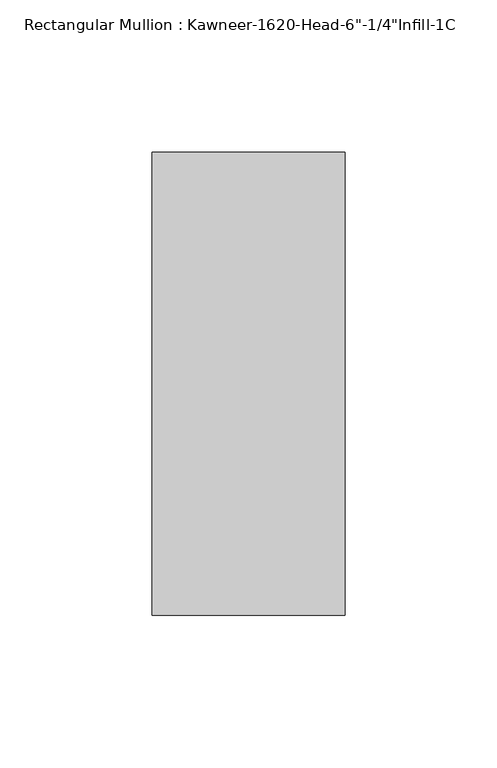
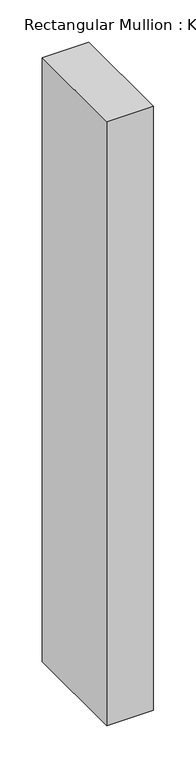
"""IFC4 building model written with IfcOpenShell, lengths in millimetres: member geometry."""

from ifc_helpers import new_model, si_unit, frame, origin, place, context, project, spatial, polyline, outline, extrude, source, transform, mapped, element, save


def member_abcb11ef(model_context):
    return source(origin(), model_context, "Body", "SweptSolid", [
        extrude(outline(polyline([(-63.5, 28.575), (0.0, 28.575), (0.0, -123.825), (-63.5, -123.825), (-63.5, 28.575)])), frame((0.0, 0.0, -870.8182369), z_axis=(0.0, 0.0, 1.0), x_axis=(1.0, 0.0, 0.0)), (0.0, 0.0, 1.0), 870.8182369),
    ])


if __name__ == "__main__":
    model = new_model("IFC4")
    model_context = context("Model", 3, world=origin())
    ifc_project = project(units=[si_unit("LENGTHUNIT", "METRE", prefix="MILLI")], contexts=[model_context])
    site = spatial("IfcSite", under=ifc_project)
    building = spatial("IfcBuilding", under=site)
    placement = place(None, origin())
    member_shape = member_abcb11ef(model_context)
    element("IfcMember", 1, ObjectType="Rectangular Mullion : Kawneer-1620-Head-6\"-1/4\"Infill-1C", at=placement, inside=building, context=model_context, shape_type="MappedRepresentation", body=[
        mapped(member_shape, transform((0.0, 0.0, 0.0), x_axis=(1.0, 0.0, 0.0), y_axis=(0.0, 1.0, 0.0), z_axis=(0.0, 0.0, 1.0))),
    ])
    save(model, "model.ifc")
